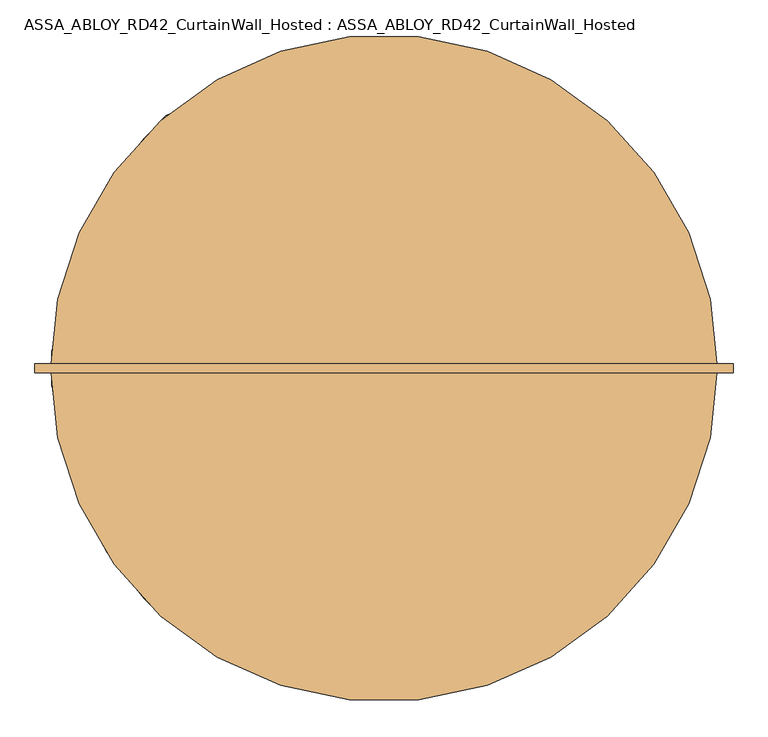
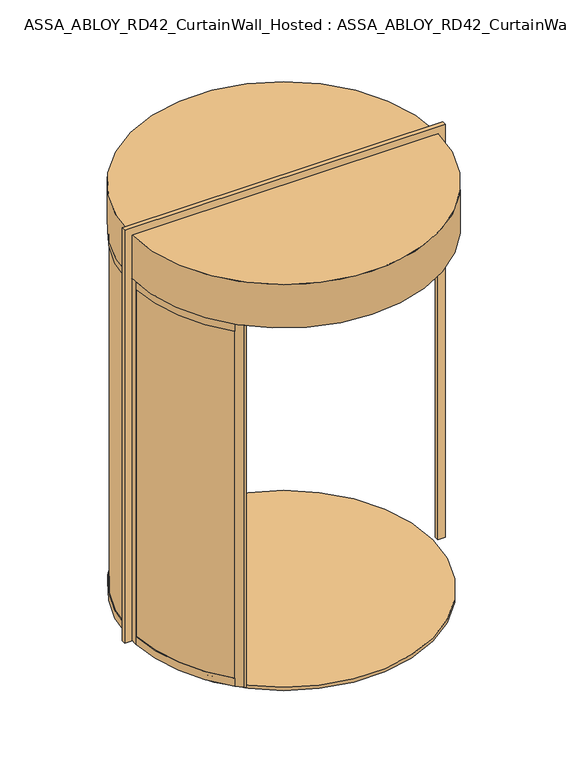
"""IFC4 building model written with IfcOpenShell, lengths in millimetres: door geometry, ASSA_ABLOY_RD42_CurtainWall_Hosted : ASSA_ABLOY_RD42_CurtainWall_Hosted."""

from ifc_helpers import new_model, si_unit, point, frame, frame_2d, origin, origin_with_axes, origin_2d, place, context, project, spatial, polyline, circle_curve, trimmed, segment, composite_curve, outline, extrude, source, transform, mapped, element, save
from ifc_brep_helpers import plane_surface, cylinder_surface, revolved_surface, advanced_brep


def assa_abloy_rd42_curtainwall_hosted_assa_abloy_rd42_c964773b(model_context):
    return source(origin(), model_context, "Body", "SolidModel", [
        extrude(outline(composite_curve([segment(trimmed(circle_curve(origin_2d(), 979.0), [point((-692.2575388, 692.2575388))], [point((-978.4493032, 32.8323171))], True, "CARTESIAN"), True, "CONTINUOUS"), segment(polyline([(-978.4493032, 32.8323171), (-988.4436781, 33.1676829)]), True, "CONTINUOUS"), segment(trimmed(circle_curve(origin_2d(), 989.0), [point((-988.4436781, 33.1676829))], [point((-699.3286066, 699.3286066))], False, "CARTESIAN"), True, "CONTINUOUS"), segment(polyline([(-699.3286066, 699.3286066), (-692.2575388, 692.2575388)]), True, "CONTINUOUS")], self_intersect=False)), frame((0.0, 0.0, 33.0), z_axis=(0.0, 0.0, 1.0), x_axis=(1.0, 0.0, 0.0)), (0.0, 0.0, 1.0), 2437.0),
        advanced_brep(
        [(-700.2358565, 672.6891892, 0.0), (-718.9857353, 690.701464, 0.0), (-718.9857353, 690.701464, 53.0), (-716.8222877, 688.6231246, 53.0), (-716.8222877, 688.6231246, 33.0), (-702.3993041, 674.7675286, 33.0), (-702.3993041, 674.7675286, 53.0), (-700.2358565, 672.6891892, 53.0), (-969.6270403, 51.6178536, 0.0), (-969.6270403, 51.6178536, 53.0), (-972.6227984, 51.777332, 53.0), (-972.6227984, 51.777332, 33.0), (-992.5945191, 52.8405216, 33.0), (-992.5945191, 52.8405216, 53.0), (-995.5902772, 53.0, 53.0), (-995.5902772, 53.0, 0.0)],
        [
            (0, 1),
            (1, 2),
            (2, 3),
            (3, 4),
            (4, 5),
            (5, 6),
            (6, 7),
            (7, 0),
            (8, 9),
            (9, 10),
            (10, 11),
            (11, 12),
            (12, 13),
            (13, 14),
            (14, 15),
            (15, 8),
            (8, 0, circle_curve(frame((0.0, 0.0, 0.0), z_axis=(0.0, 0.0, -1.0), x_axis=(-0.7211491828453972, 0.6927798034595233, 0.0)), 971.0)),
            (7, 9, circle_curve(frame((0.0, 0.0, 53.0), z_axis=(0.0, 0.0, 1.0), x_axis=(-0.7211491828453972, 0.6927798034595233, 0.0)), 971.0)),
            (6, 10, circle_curve(frame((0.0, 0.0, 53.0), z_axis=(0.0, 0.0, 1.0), x_axis=(-0.7211491828453972, 0.6927798034595233, 0.0)), 974.0)),
            (5, 11, circle_curve(frame((0.0, 0.0, 33.0), z_axis=(0.0, 0.0, 1.0), x_axis=(-0.7211491828453972, 0.6927798034595233, 0.0)), 974.0)),
            (4, 12, circle_curve(frame((0.0, 0.0, 33.0), z_axis=(0.0, 0.0, 1.0), x_axis=(-0.7211491828453972, 0.6927798034595233, 0.0)), 994.0)),
            (3, 13, circle_curve(frame((0.0, 0.0, 53.0), z_axis=(0.0, 0.0, 1.0), x_axis=(-0.7211491828453972, 0.6927798034595233, 0.0)), 994.0)),
            (2, 14, circle_curve(frame((0.0, 0.0, 53.0), z_axis=(0.0, 0.0, 1.0), x_axis=(-0.7211491828453972, 0.6927798034595233, 0.0)), 997.0)),
            (1, 15, circle_curve(frame((0.0, 0.0, 0.0), z_axis=(0.0, 0.0, 1.0), x_axis=(-0.7211491828453972, 0.6927798034595233, 0.0)), 997.0)),
        ],
        [
            plane_surface(frame((-718.9857353, 690.701464, 0.0), z_axis=(0.6927798034595234, 0.7211491828453973, 0.0), x_axis=(0.0, 0.0, 1.0))),
            plane_surface(frame((-995.5902772, 53.0, 0.0), z_axis=(-0.053159478434998075, -0.9985860352781423, 0.0), x_axis=(0.0, 0.0, 1.0))),
            revolved_surface(polyline([(-700.2358565428807, 672.6891891591971, 53.0), (-700.2358565428807, 672.6891891591971, 0.0)]), (0.0, 0.0, 0.0), (0.0, 0.0, 1.0)),
            plane_surface(frame((0.0, 0.0, 53.0), z_axis=(0.0, 0.0, 1.0), x_axis=(-0.7211491828453973, 0.6927798034595234, 0.0))),
            cylinder_surface(frame((0.0, 0.0, 0.0), z_axis=(0.0, 0.0, 1.0), x_axis=(-0.7211491828453972, 0.6927798034595233, 0.0)), 974.0),
            plane_surface(frame((0.0, 0.0, 33.0), z_axis=(0.0, 0.0, 1.0), x_axis=(-0.7211491828453973, 0.6927798034595234, 0.0))),
            revolved_surface(polyline([(-716.8222877483248, 688.6231246387662, 53.0), (-716.8222877483248, 688.6231246387662, 33.0)]), (0.0, 0.0, 0.0), (0.0, 0.0, 1.0)),
            cylinder_surface(frame((0.0, 0.0, 0.0), z_axis=(0.0, 0.0, 1.0), x_axis=(-0.7211491828453972, 0.6927798034595233, 0.0)), 997.0),
            plane_surface(frame((0.0, 0.0, 0.0), z_axis=(0.0, 0.0, -1.0), x_axis=(-0.7211491828453973, 0.6927798034595234, 0.0))),
        ],
        [
            (0, [[1, 2, 3, 4, 5, 6, 7, 8]]),
            (1, [[9, 10, 11, 12, 13, 14, 15, 16]]),
            (2, [[17, -8, 18, -9]]),
            (3, [[-18, -7, 19, -10]]),
            (4, [[-19, -6, 20, -11]]),
            (5, [[-20, -5, 21, -12]]),
            (6, [[-21, -4, 22, -13]]),
            (3, [[-22, -3, 23, -14]]),
            (7, [[-23, -2, 24, -15]]),
            (8, [[-24, -1, -17, -16]]),
        ],
    ),
        advanced_brep(
        [(-969.6270403, 51.6178536, 2500.0), (-995.5902772, 53.0, 2500.0), (-995.5902772, 53.0, 2450.0), (-992.5945191, 52.8405216, 2450.0), (-992.5945191, 52.8405216, 2470.0), (-972.6227984, 51.777332, 2470.0), (-972.6227984, 51.777332, 2450.0), (-969.6270403, 51.6178536, 2450.0), (-700.2358565, 672.6891892, 2500.0), (-700.2358565, 672.6891892, 2450.0), (-702.3993041, 674.7675286, 2450.0), (-702.3993041, 674.7675286, 2470.0), (-716.8222877, 688.6231246, 2470.0), (-716.8222877, 688.6231246, 2450.0), (-718.9857353, 690.701464, 2450.0), (-718.9857353, 690.701464, 2500.0)],
        [
            (0, 1),
            (1, 2),
            (2, 3),
            (3, 4),
            (4, 5),
            (5, 6),
            (6, 7),
            (7, 0),
            (8, 9),
            (9, 10),
            (10, 11),
            (11, 12),
            (12, 13),
            (13, 14),
            (14, 15),
            (15, 8),
            (8, 0, circle_curve(frame((0.0, 0.0, 2500.0), z_axis=(0.0, 0.0, 1.0), x_axis=(-0.9985860352779656, 0.05315947843831304, 0.0)), 971.0)),
            (7, 9, circle_curve(frame((0.0, 0.0, 2450.0), z_axis=(0.0, 0.0, -1.0), x_axis=(-0.9985860352779656, 0.05315947843831304, 0.0)), 971.0)),
            (6, 10, circle_curve(frame((0.0, 0.0, 2450.0), z_axis=(0.0, 0.0, -1.0), x_axis=(-0.9985860352779656, 0.05315947843831304, 0.0)), 974.0)),
            (14, 2, circle_curve(frame((0.0, 0.0, 2450.0), z_axis=(0.0, 0.0, 1.0), x_axis=(-0.9985860352779656, 0.05315947843831304, 0.0)), 997.0)),
            (1, 15, circle_curve(frame((0.0, 0.0, 2500.0), z_axis=(0.0, 0.0, -1.0), x_axis=(-0.9985860352779656, 0.05315947843831304, 0.0)), 997.0)),
            (5, 11, circle_curve(frame((0.0, 0.0, 2470.0), z_axis=(0.0, 0.0, -1.0), x_axis=(-0.9985860352779656, 0.05315947843831304, 0.0)), 974.0)),
            (4, 12, circle_curve(frame((0.0, 0.0, 2470.0), z_axis=(0.0, 0.0, -1.0), x_axis=(-0.9985860352779656, 0.05315947843831304, 0.0)), 994.0)),
            (3, 13, circle_curve(frame((0.0, 0.0, 2450.0), z_axis=(0.0, 0.0, -1.0), x_axis=(-0.9985860352779656, 0.05315947843831304, 0.0)), 994.0)),
        ],
        [
            plane_surface(frame((-995.5902772, 53.0, 2500.0), z_axis=(-0.05315947843831304, -0.9985860352779657, 0.0), x_axis=(0.0, 0.0, 1.0))),
            plane_surface(frame((-718.9857353, 690.701464, 2500.0), z_axis=(0.6927798034621088, 0.7211491828429136, 0.0), x_axis=(0.0, 0.0, 1.0))),
            revolved_surface(polyline([(-969.6270402549046, 51.61785356360196, 2450.0), (-969.6270402549046, 51.61785356360196, 2500.0)]), (0.0, 0.0, 2500.0), (0.0, 0.0, -1.0)),
            plane_surface(frame((0.0, 0.0, 2450.0), z_axis=(0.0, 0.0, -1.0), x_axis=(-0.9985860352779657, 0.05315947843831305, 0.0))),
            cylinder_surface(frame((0.0, 0.0, 2500.0), z_axis=(0.0, 0.0, -1.0), x_axis=(-0.9985860352779656, 0.05315947843831304, 0.0)), 997.0),
            plane_surface(frame((0.0, 0.0, 2500.0), z_axis=(0.0, 0.0, 1.0), x_axis=(-0.9985860352779657, 0.05315947843831305, 0.0))),
            cylinder_surface(frame((0.0, 0.0, 2500.0), z_axis=(0.0, 0.0, -1.0), x_axis=(-0.9985860352779656, 0.05315947843831304, 0.0)), 974.0),
            plane_surface(frame((0.0, 0.0, 2470.0), z_axis=(0.0, 0.0, -1.0), x_axis=(-0.9985860352779657, 0.05315947843831305, 0.0))),
            revolved_surface(polyline([(-992.5945190662978, 52.84052156768316, 2450.0), (-992.5945190662978, 52.84052156768316, 2470.0)]), (0.0, 0.0, 2500.0), (0.0, 0.0, -1.0)),
        ],
        [
            (0, [[1, 2, 3, 4, 5, 6, 7, 8]]),
            (1, [[9, 10, 11, 12, 13, 14, 15, 16]]),
            (2, [[17, -8, 18, -9]]),
            (3, [[-18, -7, 19, -10]]),
            (4, [[20, -2, 21, -15]]),
            (5, [[-21, -1, -17, -16]]),
            (6, [[-19, -6, 22, -11]]),
            (7, [[-22, -5, 23, -12]]),
            (8, [[-23, -4, 24, -13]]),
            (3, [[-24, -3, -20, -14]]),
        ],
    ),
        extrude(outline(composite_curve([segment(polyline([(-702.863883, 702.863883), (-717.0060186, 688.7217474), (-719.1270815, 690.8428103), (-674.5793543, 735.3905375), (-675.2864632, 736.0976464), (-654.0719672, 757.3121425)]), True, "CONTINUOUS"), segment(trimmed(circle_curve(frame_2d((-644.1727276, 747.4129028)), 13.9996389), [point((-654.0719672, 757.3121425))], [point((-634.273488, 737.5136632))], False, "CARTESIAN"), True, "CONTINUOUS"), segment(polyline([(-634.273488, 737.5136632), (-655.487984, 716.2991672), (-656.1950929, 717.0062761), (-700.7428202, 672.4585489), (-702.863883, 674.5796118), (-688.7217474, 688.7217474), (-702.863883, 702.863883)]), True, "CONTINUOUS")], self_intersect=False)), origin_with_axes(), (0.0, 0.0, 1.0), 2500.0),
        extrude(outline(polyline([(-997.0, 0.0), (-997.0, 53.0), (-994.0, 53.0), (-994.0, 33.0), (-974.0, 33.0), (-974.0, 53.0), (-971.0, 53.0), (-971.0, 0.0), (-997.0, 0.0)])), origin_with_axes(), (0.0, 0.0, 1.0), 2500.0),
        extrude(outline(composite_curve([segment(trimmed(circle_curve(origin_2d(), 989.0), [point((-699.3286066, -699.3286066))], [point((-988.4436781, -33.1676829))], False, "CARTESIAN"), True, "CONTINUOUS"), segment(polyline([(-988.4436781, -33.1676829), (-978.4493032, -32.8323171)]), True, "CONTINUOUS"), segment(trimmed(circle_curve(origin_2d(), 979.0), [point((-978.4493032, -32.8323171))], [point((-692.2575388, -692.2575388))], True, "CARTESIAN"), True, "CONTINUOUS"), segment(polyline([(-692.2575388, -692.2575388), (-699.3286066, -699.3286066)]), True, "CONTINUOUS")], self_intersect=False)), frame((0.0, 0.0, 33.0), z_axis=(0.0, 0.0, 1.0), x_axis=(1.0, 0.0, 0.0)), (0.0, 0.0, 1.0), 2437.0),
        advanced_brep(
        [(-700.2358565, -672.6891892, 0.0), (-700.2358565, -672.6891892, 53.0), (-702.3993041, -674.7675286, 53.0), (-702.3993041, -674.7675286, 33.0), (-716.8222877, -688.6231246, 33.0), (-716.8222877, -688.6231246, 53.0), (-718.9857353, -690.701464, 53.0), (-718.9857353, -690.701464, 0.0), (-969.6270403, -51.6178536, 0.0), (-995.5902772, -53.0, 0.0), (-995.5902772, -53.0, 53.0), (-992.5945191, -52.8405216, 53.0), (-992.5945191, -52.8405216, 33.0), (-972.6227984, -51.777332, 33.0), (-972.6227984, -51.777332, 53.0), (-969.6270403, -51.6178536, 53.0)],
        [
            (0, 1),
            (1, 2),
            (2, 3),
            (3, 4),
            (4, 5),
            (5, 6),
            (6, 7),
            (7, 0),
            (8, 9),
            (9, 10),
            (10, 11),
            (11, 12),
            (12, 13),
            (13, 14),
            (14, 15),
            (15, 8),
            (15, 1, circle_curve(frame((0.0, 0.0, 53.0), z_axis=(0.0, 0.0, 1.0), x_axis=(-0.72114918284517, -0.6927798034597599, 0.0)), 971.0)),
            (0, 8, circle_curve(frame((0.0, 0.0, 0.0), z_axis=(0.0, 0.0, -1.0), x_axis=(-0.72114918284517, -0.6927798034597599, 0.0)), 971.0)),
            (14, 2, circle_curve(frame((0.0, 0.0, 53.0), z_axis=(0.0, 0.0, 1.0), x_axis=(-0.72114918284517, -0.6927798034597599, 0.0)), 974.0)),
            (13, 3, circle_curve(frame((0.0, 0.0, 33.0), z_axis=(0.0, 0.0, 1.0), x_axis=(-0.72114918284517, -0.6927798034597599, 0.0)), 974.0)),
            (12, 4, circle_curve(frame((0.0, 0.0, 33.0), z_axis=(0.0, 0.0, 1.0), x_axis=(-0.72114918284517, -0.6927798034597599, 0.0)), 994.0)),
            (11, 5, circle_curve(frame((0.0, 0.0, 53.0), z_axis=(0.0, 0.0, 1.0), x_axis=(-0.72114918284517, -0.6927798034597599, 0.0)), 994.0)),
            (10, 6, circle_curve(frame((0.0, 0.0, 53.0), z_axis=(0.0, 0.0, 1.0), x_axis=(-0.72114918284517, -0.6927798034597599, 0.0)), 997.0)),
            (9, 7, circle_curve(frame((0.0, 0.0, 0.0), z_axis=(0.0, 0.0, 1.0), x_axis=(-0.72114918284517, -0.6927798034597599, 0.0)), 997.0)),
        ],
        [
            plane_surface(frame((-718.9857353, -690.701464, 0.0), z_axis=(0.6927798034597599, -0.7211491828451702, 0.0), x_axis=(0.0, 0.0, 1.0))),
            plane_surface(frame((-995.5902772, -53.0, 0.0), z_axis=(-0.05315947843611757, 0.9985860352780827, 0.0), x_axis=(0.0, 0.0, 1.0))),
            revolved_surface(polyline([(-700.2358565426601, -672.6891891594269, 0.0), (-700.2358565426601, -672.6891891594269, 53.0)]), (0.0, 0.0, 0.0), (0.0, 0.0, -1.0)),
            plane_surface(frame((0.0, 0.0, 53.0), z_axis=(0.0, 0.0, 1.0), x_axis=(-0.72114918284517, -0.6927798034597599, 0.0))),
            cylinder_surface(frame((0.0, 0.0, 0.0), z_axis=(0.0, 0.0, -1.0), x_axis=(-0.72114918284517, -0.6927798034597599, 0.0)), 974.0),
            plane_surface(frame((0.0, 0.0, 33.0), z_axis=(0.0, 0.0, 1.0), x_axis=(-0.72114918284517, -0.6927798034597599, 0.0))),
            revolved_surface(polyline([(-716.822287748099, -688.6231246390013, 33.0), (-716.822287748099, -688.6231246390013, 53.0)]), (0.0, 0.0, 0.0), (0.0, 0.0, -1.0)),
            cylinder_surface(frame((0.0, 0.0, 0.0), z_axis=(0.0, 0.0, -1.0), x_axis=(-0.72114918284517, -0.6927798034597599, 0.0)), 997.0),
            plane_surface(frame((0.0, 0.0, 0.0), z_axis=(0.0, 0.0, -1.0), x_axis=(-0.72114918284517, -0.6927798034597599, 0.0))),
        ],
        [
            (0, [[1, 2, 3, 4, 5, 6, 7, 8]]),
            (1, [[9, 10, 11, 12, 13, 14, 15, 16]]),
            (2, [[17, -1, 18, -16]]),
            (3, [[19, -2, -17, -15]]),
            (4, [[20, -3, -19, -14]]),
            (5, [[21, -4, -20, -13]]),
            (6, [[22, -5, -21, -12]]),
            (3, [[23, -6, -22, -11]]),
            (7, [[24, -7, -23, -10]]),
            (8, [[-18, -8, -24, -9]]),
        ],
    ),
        advanced_brep(
        [(-969.6270403, -51.6178536, 2500.0), (-969.6270403, -51.6178536, 2450.0), (-972.6227984, -51.777332, 2450.0), (-972.6227984, -51.777332, 2470.0), (-992.5945191, -52.8405216, 2470.0), (-992.5945191, -52.8405216, 2450.0), (-995.5902772, -53.0, 2450.0), (-995.5902772, -53.0, 2500.0), (-700.2358565, -672.6891892, 2500.0), (-718.9857353, -690.7014641, 2500.0), (-718.9857353, -690.7014641, 2450.0), (-716.8222878, -688.6231246, 2450.0), (-716.8222878, -688.6231246, 2470.0), (-702.3993041, -674.7675286, 2470.0), (-702.3993041, -674.7675286, 2450.0), (-700.2358565, -672.6891892, 2450.0)],
        [
            (0, 1),
            (1, 2),
            (2, 3),
            (3, 4),
            (4, 5),
            (5, 6),
            (6, 7),
            (7, 0),
            (8, 9),
            (9, 10),
            (10, 11),
            (11, 12),
            (12, 13),
            (13, 14),
            (14, 15),
            (15, 8),
            (15, 1, circle_curve(frame((0.0, 0.0, 2450.0), z_axis=(0.0, 0.0, -1.0), x_axis=(-0.998586035278223, -0.05315947843348043, 0.0)), 971.0)),
            (0, 8, circle_curve(frame((0.0, 0.0, 2500.0), z_axis=(0.0, 0.0, 1.0), x_axis=(-0.998586035278223, -0.05315947843348043, 0.0)), 971.0)),
            (14, 2, circle_curve(frame((0.0, 0.0, 2450.0), z_axis=(0.0, 0.0, -1.0), x_axis=(-0.998586035278223, -0.05315947843348043, 0.0)), 974.0)),
            (9, 7, circle_curve(frame((0.0, 0.0, 2500.0), z_axis=(0.0, 0.0, -1.0), x_axis=(-0.998586035278223, -0.05315947843348043, 0.0)), 997.0)),
            (6, 10, circle_curve(frame((0.0, 0.0, 2450.0), z_axis=(0.0, 0.0, 1.0), x_axis=(-0.998586035278223, -0.05315947843348043, 0.0)), 997.0)),
            (13, 3, circle_curve(frame((0.0, 0.0, 2470.0), z_axis=(0.0, 0.0, -1.0), x_axis=(-0.998586035278223, -0.05315947843348043, 0.0)), 974.0)),
            (12, 4, circle_curve(frame((0.0, 0.0, 2470.0), z_axis=(0.0, 0.0, -1.0), x_axis=(-0.998586035278223, -0.05315947843348043, 0.0)), 994.0)),
            (11, 5, circle_curve(frame((0.0, 0.0, 2450.0), z_axis=(0.0, 0.0, -1.0), x_axis=(-0.998586035278223, -0.05315947843348043, 0.0)), 994.0)),
        ],
        [
            plane_surface(frame((-995.5902772, -53.0, 2500.0), z_axis=(-0.0531594784334804, 0.998586035278223, 0.0), x_axis=(0.0, 0.0, 1.0))),
            plane_surface(frame((-718.9857353, -690.7014641, 2500.0), z_axis=(0.6927798034594096, -0.7211491828455066, 0.0), x_axis=(0.0, 0.0, 1.0))),
            revolved_surface(polyline([(-969.6270402551545, -51.617853558909495, 2500.0), (-969.6270402551545, -51.617853558909495, 2450.0)]), (0.0, 0.0, 2500.0), (0.0, 0.0, 1.0)),
            plane_surface(frame((0.0, 0.0, 2450.0), z_axis=(0.0, 0.0, -1.0), x_axis=(-0.998586035278223, -0.05315947843348043, 0.0))),
            cylinder_surface(frame((0.0, 0.0, 2500.0), z_axis=(0.0, 0.0, 1.0), x_axis=(-0.998586035278223, -0.05315947843348043, 0.0)), 997.0),
            plane_surface(frame((0.0, 0.0, 2500.0), z_axis=(0.0, 0.0, 1.0), x_axis=(-0.998586035278223, -0.05315947843348043, 0.0))),
            cylinder_surface(frame((0.0, 0.0, 2500.0), z_axis=(0.0, 0.0, 1.0), x_axis=(-0.998586035278223, -0.05315947843348043, 0.0)), 974.0),
            plane_surface(frame((0.0, 0.0, 2470.0), z_axis=(0.0, 0.0, -1.0), x_axis=(-0.998586035278223, -0.05315947843348043, 0.0))),
            revolved_surface(polyline([(-992.5945190665536, -52.840521562879545, 2470.0), (-992.5945190665536, -52.840521562879545, 2450.0)]), (0.0, 0.0, 2500.0), (0.0, 0.0, 1.0)),
        ],
        [
            (0, [[1, 2, 3, 4, 5, 6, 7, 8]]),
            (1, [[9, 10, 11, 12, 13, 14, 15, 16]]),
            (2, [[17, -1, 18, -16]]),
            (3, [[19, -2, -17, -15]]),
            (4, [[20, -7, 21, -10]]),
            (5, [[-18, -8, -20, -9]]),
            (6, [[22, -3, -19, -14]]),
            (7, [[23, -4, -22, -13]]),
            (8, [[24, -5, -23, -12]]),
            (3, [[-21, -6, -24, -11]]),
        ],
    ),
        extrude(outline(composite_curve([segment(polyline([(-702.863883, -702.863883), (-688.7217474, -688.7217474), (-702.863883, -674.5796118), (-700.7428202, -672.4585489), (-663.9730103, -709.2283587)]), True, "CONTINUOUS"), segment(trimmed(circle_curve(frame_2d((-673.1651408, -718.4204896)), 12.9996359), [point((-663.9730103, -709.2283587))], [point((-682.3572715, -727.6126203))], False, "CARTESIAN"), True, "CONTINUOUS"), segment(polyline([(-682.3572715, -727.6126203), (-719.1270815, -690.8428103), (-717.0060186, -688.7217474), (-702.863883, -702.863883)]), True, "CONTINUOUS")], self_intersect=False)), origin_with_axes(), (0.0, 0.0, 1.0), 2500.0),
        extrude(outline(polyline([(-997.0, 0.0), (-971.0, 0.0), (-971.0, -53.0), (-974.0, -53.0), (-974.0, -33.0), (-994.0, -33.0), (-994.0, -53.0), (-997.0, -53.0), (-997.0, 0.0)])), origin_with_axes(), (0.0, 0.0, 1.0), 2500.0),
        extrude(outline(composite_curve([segment(trimmed(circle_curve(origin_2d(), 1000.0), [point((-1000.0, 0.0))], [point((1000.0, 0.0))], False, "CARTESIAN"), True, "CONTINUOUS"), segment(trimmed(circle_curve(origin_2d(), 1000.0), [point((1000.0, 0.0))], [point((-1000.0, 0.0))], False, "CARTESIAN"), True, "CONTINUOUS")], self_intersect=False)), frame((0.0, 0.0, 2500.0), z_axis=(0.0, 0.0, 1.0), x_axis=(1.0, 0.0, 0.0)), (0.0, 0.0, 1.0), 300.0),
        extrude(outline(composite_curve([segment(trimmed(circle_curve(origin_2d(), 971.0), [point((-971.0, 0.0))], [point((971.0, 0.0))], False, "CARTESIAN"), True, "CONTINUOUS"), segment(trimmed(circle_curve(origin_2d(), 971.0), [point((971.0, 0.0))], [point((-971.0, 0.0))], False, "CARTESIAN"), True, "CONTINUOUS")], self_intersect=False)), frame((0.0, 0.0, -22.0), z_axis=(0.0, 0.0, 1.0), x_axis=(1.0, 0.0, 0.0)), (0.0, 0.0, 1.0), 22.0),
        extrude(outline(polyline([(2800.0, 1000.0), (2500.0, 1000.0), (2500.0, 997.0), (0.0, 997.0), (0.0, 1047.0), (2850.0, 1047.0), (2850.0, -1047.0), (0.0, -1047.0), (0.0, -997.0), (2500.0, -997.0), (2500.0, -1000.0), (2800.0, -1000.0), (2800.0, 1000.0)])), frame((0.0, -14.0, 0.0), z_axis=(0.0, 1.0, 0.0), x_axis=(0.0, 0.0, 1.0)), (0.0, 0.0, 1.0), 28.0),
    ])


if __name__ == "__main__":
    model = new_model("IFC4")
    model_context = context("Model", 3, world=origin())
    ifc_project = project(units=[si_unit("LENGTHUNIT", "METRE", prefix="MILLI")], contexts=[model_context])
    site = spatial("IfcSite", under=ifc_project)
    building = spatial("IfcBuilding", under=site)
    placement = place(None, origin())
    assa_abloy_rd42_curtainwall_hosted_assa_abloy_rd42_shape = assa_abloy_rd42_curtainwall_hosted_assa_abloy_rd42_c964773b(model_context)
    element("IfcDoor", 1, ObjectType="ASSA_ABLOY_RD42_CurtainWall_Hosted : ASSA_ABLOY_RD42_CurtainWall_Hosted", at=placement, inside=building, context=model_context, shape_type="MappedRepresentation", body=[
        mapped(assa_abloy_rd42_curtainwall_hosted_assa_abloy_rd42_shape, transform((0.0, 0.0, 0.0), x_axis=(1.0, 0.0, 0.0), y_axis=(0.0, 1.0, 0.0), z_axis=(0.0, 0.0, 1.0))),
    ])
    save(model, "model.ifc")
